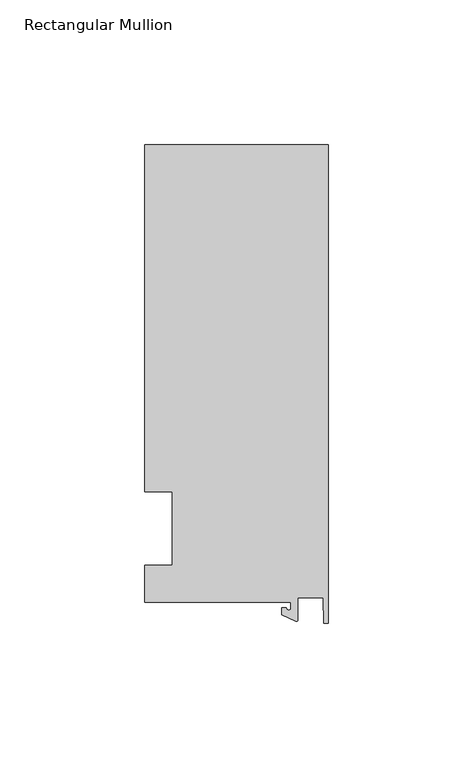
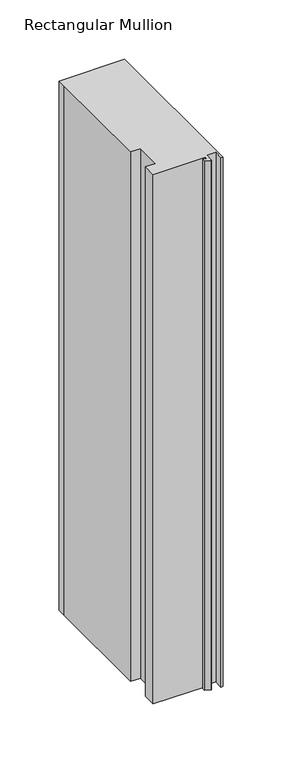
"""IFC4 building model written with IfcOpenShell, lengths in millimetres: member geometry, Rectangular Mullion."""

from ifc_helpers import new_model, si_unit, point, frame, frame_2d, origin, place, context, project, spatial, polyline, circle_curve, trimmed, segment, composite_curve, outline, extrude, source, transform, mapped, element, save


def rectangular_mullion_f0104015(model_context):
    return source(origin(), model_context, "Body", "SweptSolid", [
        extrude(outline(composite_curve([segment(polyline([(-12.8216721, -25.5984375), (-63.5, -25.5984375), (-63.5, -12.7), (-53.975, -12.7), (-53.975, 12.7), (-63.5, 12.7), (-63.5, 125.075512), (-63.5, 132.822512), (0.0, 132.822512), (0.0, -32.810012), (-1.5566453, -32.810012), (-1.7144124, -23.9227662), (-10.4340721, -23.9227662), (-10.4340721, -31.6795354)]), True, "CONTINUOUS"), segment(trimmed(circle_curve(frame_2d((-10.9420721, -31.6795354)), 0.508), [point((-10.4340721, -31.6795354))], [point((-11.1567622, -32.1399398))], False, "CARTESIAN"), True, "CONTINUOUS"), segment(polyline([(-11.1567622, -32.1399398), (-15.9966721, -29.8830527), (-15.9966721, -27.5208534), (-14.4091721, -27.5208534)]), True, "CONTINUOUS"), segment(trimmed(circle_curve(frame_2d((-13.6154221, -27.5208534)), 0.79375), [point((-14.4091721, -27.5208534))], [point((-12.8216721, -27.5208534))], True, "CARTESIAN"), True, "CONTINUOUS"), segment(polyline([(-12.8216721, -27.5208534), (-12.8216721, -25.5984375)]), True, "CONTINUOUS")], self_intersect=False)), frame((0.0, 0.0, -544.5125), z_axis=(0.0, 0.0, 1.0), x_axis=(1.0, 0.0, 0.0)), (0.0, 0.0, 1.0), 544.5125),
    ])


if __name__ == "__main__":
    model = new_model("IFC4")
    model_context = context("Model", 3, world=origin())
    ifc_project = project(units=[si_unit("LENGTHUNIT", "METRE", prefix="MILLI")], contexts=[model_context])
    site = spatial("IfcSite", under=ifc_project)
    building = spatial("IfcBuilding", under=site)
    placement = place(None, origin())
    rectangular_mullion_shape = rectangular_mullion_f0104015(model_context)
    element("IfcMember", 1, ObjectType="Rectangular Mullion", at=placement, inside=building, context=model_context, shape_type="MappedRepresentation", body=[
        mapped(rectangular_mullion_shape, transform((0.0, 0.0, 0.0), x_axis=(1.0, 0.0, 0.0), y_axis=(0.0, 1.0, 0.0), z_axis=(0.0, 0.0, 1.0))),
    ])
    save(model, "model.ifc")
